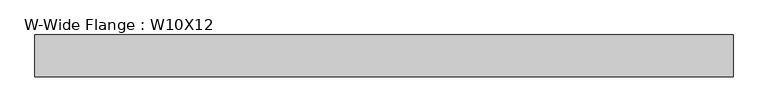
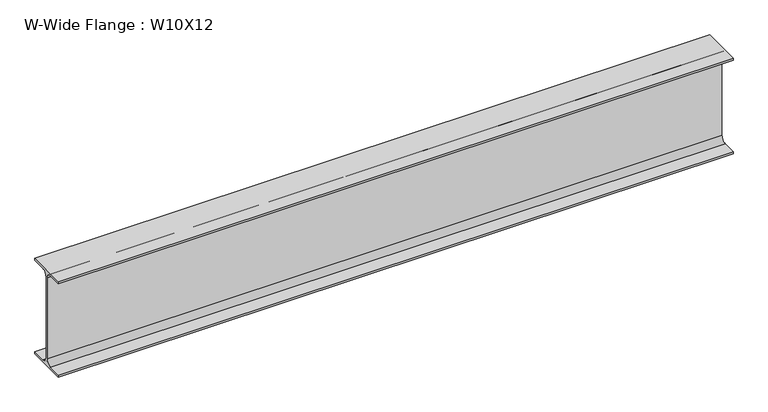
"""IFC4 building model written with IfcOpenShell, lengths in millimetres: beam geometry, W-Wide Flange : W10X12."""

import ifcopenshell
import ifcopenshell.guid

model = None  # the IFC model being written
_history = None  # IfcOwnerHistory: only IFC2X3 demands one
_inside = {}  # id of a spatial element -> (the spatial element, [elements in it])
_under = {}  # id of a project, library or spatial element -> (it, [spatial elements below it])
_declared = {}  # id of a project -> (the project, [libraries it declares])
_typed = {}  # id of a type object -> (the type object, [elements of that type])
_made_of = {}  # id of a material, layer set ... -> (it, [elements and type objects made of it])


def new_model(schema):
    """Start an empty IFC model of exactly this schema.

    Asked for "IFC4X3", IfcOpenShell would pick the latest addendum, in which some entities
    have other attributes; the version numbers below select the first issue.
    IFC2X3 requires an IfcOwnerHistory on every rooted entity: one is made here for all.
    """
    global model, _history
    if schema == "IFC4X3":
        model = ifcopenshell.file(schema_version=(4, 3, 0, 0))
    else:
        model = ifcopenshell.file(schema=schema)
    _inside.clear()
    _under.clear()
    _declared.clear()
    _typed.clear()
    _made_of.clear()
    _history = None
    if model.schema == "IFC2X3":
        org = make("IfcOrganization", Name="unknown")
        user = make(
            "IfcPersonAndOrganization",
            ThePerson=make("IfcPerson", FamilyName="unknown"),
            TheOrganization=org,
        )
        app = make(
            "IfcApplication",
            ApplicationDeveloper=org,
            Version="unknown",
            ApplicationFullName="unknown",
            ApplicationIdentifier="unknown",
        )
        _history = make(
            "IfcOwnerHistory",
            OwningUser=user,
            OwningApplication=app,
            ChangeAction="ADDED",
            CreationDate=0,
        )
    return model


def make(cls, **values):
    """One entity of the class cls with the attributes given. An attribute that is None is left unset."""
    return model.create_entity(
        cls, **{name: value for name, value in values.items() if value is not None}
    )


def rooted(cls, **values):
    """An entity with a GlobalId (a new one), such as an element, a storey or a relation."""
    return make(cls, GlobalId=ifcopenshell.guid.new(), OwnerHistory=_history, **values)


def si_unit(unit_type, name, prefix=None):
    """IfcSIUnit, for example si_unit("LENGTHUNIT", "METRE", prefix="MILLI")."""
    return make("IfcSIUnit", UnitType=unit_type, Prefix=prefix, Name=name)


def assignment(units):
    """IfcUnitAssignment: the units of a project."""
    return None if units is None else make("IfcUnitAssignment", Units=units)


def point(xyz):
    """IfcCartesianPoint."""
    return None if xyz is None else make("IfcCartesianPoint", Coordinates=xyz)


def direction(xyz):
    """IfcDirection."""
    return None if xyz is None else make("IfcDirection", DirectionRatios=xyz)


def frame(location, z_axis=None, x_axis=None):
    """IfcAxis2Placement3D, a coordinate frame: its origin and axes. An axis left out is left unset."""
    return make(
        "IfcAxis2Placement3D",
        Location=point(location),
        Axis=direction(z_axis),
        RefDirection=direction(x_axis),
    )


def frame_2d(location, x_axis=None):
    """IfcAxis2Placement2D, a coordinate frame in the plane: its origin and x axis."""
    return make(
        "IfcAxis2Placement2D", Location=point(location), RefDirection=direction(x_axis)
    )


def origin():
    """The frame at (0, 0, 0) with its axes left unset."""
    return frame((0.0, 0.0, 0.0))


def place(relative_to, where):
    """IfcLocalPlacement: puts the frame where relative to a parent placement (None: the world)."""
    return make(
        "IfcLocalPlacement", PlacementRelTo=relative_to, RelativePlacement=where
    )


def context(
    kind, dimensions, precision=None, world=None, true_north=None, identifier=None
):
    """IfcGeometricRepresentationContext, for example the 3D "Model" context."""
    return make(
        "IfcGeometricRepresentationContext",
        ContextIdentifier=identifier,
        ContextType=kind,
        CoordinateSpaceDimension=dimensions,
        Precision=precision,
        WorldCoordinateSystem=world,
        TrueNorth=true_north,
    )


def project(units=None, contexts=None):
    """IfcProject with its units and contexts."""
    return rooted(
        "IfcProject",
        Name="project",
        RepresentationContexts=contexts,
        UnitsInContext=assignment(units),
    )


def spatial(cls, under=None, at=None, **own):
    """A site, building, storey or space (cls), placed at a placement, below another one or the project."""
    s = rooted(cls, ObjectPlacement=at, **own)
    if under is not None:
        _under.setdefault(under.id(), (under, []))[1].append(s)
    return s


def polyline(points):
    """IfcPolyline through the points."""
    return make("IfcPolyline", Points=[point(p) for p in points])


def circle_curve(where, radius):
    """IfcCircle in the frame where."""
    return make("IfcCircle", Position=where, Radius=radius)


def trimmed(basis, trim1, trim2, sense, master):
    """IfcTrimmedCurve: the piece of a basis curve between two trims."""
    return make(
        "IfcTrimmedCurve",
        BasisCurve=basis,
        Trim1=trim1,
        Trim2=trim2,
        SenseAgreement=sense,
        MasterRepresentation=master,
    )


def segment(curve, same_sense, transition):
    """IfcCompositeCurveSegment."""
    return make(
        "IfcCompositeCurveSegment",
        Transition=transition,
        SameSense=same_sense,
        ParentCurve=curve,
    )


def composite_curve(segments, self_intersect=None):
    """IfcCompositeCurve: segments joined end to end."""
    return make("IfcCompositeCurve", Segments=segments, SelfIntersect=self_intersect)


def outline(outer, holes=None, kind="AREA"):
    """IfcArbitraryClosedProfileDef: a profile drawn as a closed curve; with holes, ...WithVoids."""
    if holes is None:
        return make("IfcArbitraryClosedProfileDef", ProfileType=kind, OuterCurve=outer)
    return make(
        "IfcArbitraryProfileDefWithVoids",
        ProfileType=kind,
        OuterCurve=outer,
        InnerCurves=holes,
    )


def extrude(swept, where, along, depth):
    """IfcExtrudedAreaSolid: the profile swept, set in the frame where, extruded along a direction by depth."""
    return make(
        "IfcExtrudedAreaSolid",
        SweptArea=swept,
        Position=where,
        ExtrudedDirection=direction(along),
        Depth=depth,
    )


def shape(context_of_items, identifier, shape_type, items):
    """IfcShapeRepresentation: the items that make up one representation, for example the "Body"."""
    return make(
        "IfcShapeRepresentation",
        ContextOfItems=context_of_items,
        RepresentationIdentifier=identifier,
        RepresentationType=shape_type,
        Items=items,
    )


def source(mapping_origin, context_of_items, identifier, shape_type, items):
    """IfcRepresentationMap: a shape defined once, which mapped items show again and again."""
    return make(
        "IfcRepresentationMap",
        MappingOrigin=mapping_origin,
        MappedRepresentation=shape(context_of_items, identifier, shape_type, items),
    )


def transform(
    local_origin,
    x_axis=None,
    y_axis=None,
    z_axis=None,
    scale=None,
    scale2=None,
    scale3=None,
    uniform=True,
):
    """IfcCartesianTransformationOperator3D, or its non-uniform kind. x_axis, y_axis, z_axis: its Axis1, 2, 3."""
    if uniform:
        return make(
            "IfcCartesianTransformationOperator3D",
            Axis1=direction(x_axis),
            Axis2=direction(y_axis),
            LocalOrigin=point(local_origin),
            Scale=scale,
            Axis3=direction(z_axis),
        )
    return make(
        "IfcCartesianTransformationOperator3DnonUniform",
        Axis1=direction(x_axis),
        Axis2=direction(y_axis),
        LocalOrigin=point(local_origin),
        Scale=scale,
        Axis3=direction(z_axis),
        Scale2=scale2,
        Scale3=scale3,
    )


def mapped(mapping_source, mapping_target):
    """IfcMappedItem: shows the shape of a source again, moved by a transform."""
    return make(
        "IfcMappedItem", MappingSource=mapping_source, MappingTarget=mapping_target
    )


def made_of(thing, what):
    """Note that an element or type object is made of a material, layer set ...; save() writes the relation."""
    if what is not None:
        _made_of.setdefault(what.id(), (what, []))[1].append(thing)
    return thing


def element(
    cls,
    number,
    at=None,
    inside=None,
    cuts=None,
    type_object=None,
    material=None,
    context=None,
    identifier="Body",
    shape_type=None,
    held_by="IfcProductDefinitionShape",
    body=None,
    shapes=None,
    **own,
):
    """One element of the class cls, such as IfcWall. Its Tag is "e" and its number.

    at: its placement. inside: the storey or other place that contains it. cuts: it is an
    opening in that element (IfcRelVoidsElement). A single representation is given by context,
    identifier, shape_type and body (its items); several are given by shapes. held_by: the class
    of the entity that holds the representations. save() writes the other relations.
    """
    e = rooted(cls, Tag="e%d" % number, ObjectPlacement=at, **own)
    if body is not None:
        shapes = [shape(context, identifier, shape_type, body)]
    if shapes is not None:
        e.Representation = make(held_by, Representations=shapes)
    if inside is not None:
        _inside.setdefault(inside.id(), (inside, []))[1].append(e)
    if cuts is not None:
        rooted(
            "IfcRelVoidsElement", RelatingBuildingElement=cuts, RelatedOpeningElement=e
        )
    if type_object is not None:
        _typed.setdefault(type_object.id(), (type_object, []))[1].append(e)
    return made_of(e, material)


def aggregate(whole, parts):
    """IfcRelAggregates: a whole, such as a stair, and the parts it consists of."""
    return rooted("IfcRelAggregates", RelatingObject=whole, RelatedObjects=parts)


def save(model, path):
    """Write the relations noted so far, then the file.

    IfcRelAggregates (storeys below a building ...), IfcRelContainedInSpatialStructure (elements
    in a storey), IfcRelDefinesByType, IfcRelAssociatesMaterial and IfcRelDeclares: one each for
    every whole, place, type object, material and project.
    """
    for whole, parts in _under.values():
        aggregate(whole, parts)
    for where, things in _inside.values():
        rooted(
            "IfcRelContainedInSpatialStructure",
            RelatedElements=things,
            RelatingStructure=where,
        )
    for kind, things in _typed.values():
        rooted("IfcRelDefinesByType", RelatedObjects=things, RelatingType=kind)
    for what, things in _made_of.values():
        rooted("IfcRelAssociatesMaterial", RelatedObjects=things, RelatingMaterial=what)
    for by, libraries in _declared.values():
        rooted("IfcRelDeclares", RelatingContext=by, RelatedDefinitions=libraries)
    model.write(path)


def w_wide_flange_w10x12_50846610(model_context):
    return source(origin(), model_context, "Body", "SweptSolid", [
        extrude(outline(composite_curve([segment(polyline([(50.3039062, -120.0050781), (50.3039062, -125.3628906), (-50.3039063, -125.3628906), (-50.3039063, -120.0050781), (-16.1230469, -120.0050781)]), True, "CONTINUOUS"), segment(trimmed(circle_curve(frame_2d((-16.1230469, -106.3128906)), 13.6921875), [point((-16.1230469, -120.0050781))], [point((-2.4308594, -106.3128906))], True, "CARTESIAN"), True, "CONTINUOUS"), segment(polyline([(-2.4308594, -106.3128906), (-2.4308594, 106.3128906)]), True, "CONTINUOUS"), segment(trimmed(circle_curve(frame_2d((-16.1230469, 106.3128906)), 13.6921875), [point((-2.4308594, 106.3128906))], [point((-16.1230469, 120.0050781))], True, "CARTESIAN"), True, "CONTINUOUS"), segment(polyline([(-16.1230469, 120.0050781), (-50.3039063, 120.0050781), (-50.3039063, 125.3628906), (50.3039062, 125.3628906), (50.3039062, 120.0050781), (16.1230469, 120.0050781)]), True, "CONTINUOUS"), segment(trimmed(circle_curve(frame_2d((16.1230469, 106.3128906)), 13.6921875), [point((16.1230469, 120.0050781))], [point((2.4308594, 106.3128906))], True, "CARTESIAN"), True, "CONTINUOUS"), segment(polyline([(2.4308594, 106.3128906), (2.4308594, -106.3128906)]), True, "CONTINUOUS"), segment(trimmed(circle_curve(frame_2d((16.1230469, -106.3128906)), 13.6921875), [point((2.4308594, -106.3128906))], [point((16.1230469, -120.0050781))], True, "CARTESIAN"), True, "CONTINUOUS"), segment(polyline([(16.1230469, -120.0050781), (50.3039062, -120.0050781)]), True, "CONTINUOUS")], self_intersect=False)), frame((-838.2, 0.0, 0.0), z_axis=(1.0, 0.0, 0.0), x_axis=(0.0, 1.0, 0.0)), (0.0, 0.0, 1.0), 1676.4),
    ])


if __name__ == "__main__":
    model = new_model("IFC4")
    model_context = context("Model", 3, world=origin())
    ifc_project = project(units=[si_unit("LENGTHUNIT", "METRE", prefix="MILLI")], contexts=[model_context])
    site = spatial("IfcSite", under=ifc_project)
    building = spatial("IfcBuilding", under=site)
    placement = place(None, origin())
    w_wide_flange_w10x12_shape = w_wide_flange_w10x12_50846610(model_context)
    element("IfcBeam", 1, ObjectType="W-Wide Flange : W10X12", at=placement, inside=building, context=model_context, shape_type="MappedRepresentation", body=[
        mapped(w_wide_flange_w10x12_shape, transform((0.0, 0.0, 0.0), x_axis=(1.0, 0.0, 0.0), y_axis=(0.0, 1.0, 0.0), z_axis=(0.0, 0.0, 1.0))),
    ])
    save(model, "model.ifc")
